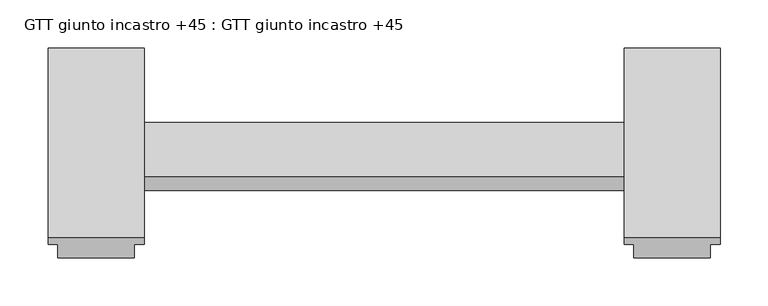
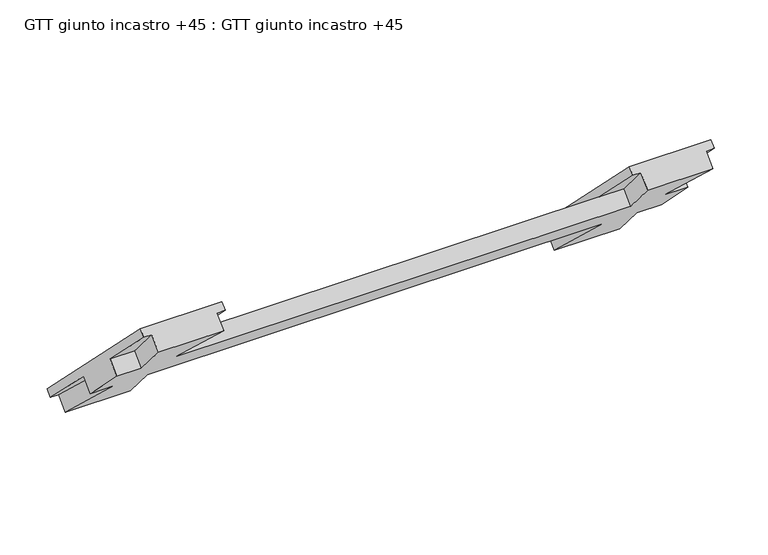
"""IFC4 building model written with IfcOpenShell, lengths in millimetres: proxy geometry, GTT giunto incastro +45 : GTT giunto incastro +45."""

from ifc_helpers import new_model, si_unit, origin, place, context, project, spatial, faceted_brep, source, transform, mapped, element, save


def gtt_giunto_incastro_45_gtt_giunto_incastro_45_21f45a48(model_context):
    return source(origin(), model_context, "Body", "Brep", [
        faceted_brep([(10.0, 48.3883476, -94.6015511), (90.0, 48.3883476, -94.6015511), (70.0, -22.3223305, -23.890873), (630.0, -22.3223305, -23.890873), (610.0, 48.3883476, -94.6015511), (690.0, 48.3883476, -94.6015511), (670.0, -22.3223305, -23.890873), (700.0, -22.3223305, -23.890873), (700.0, -78.890873, 32.6776695), (670.0, -78.890873, 32.6776695), (690.0, -149.6015511, 103.3883476), (610.0, -149.6015511, 103.3883476), (630.0, -78.890873, 32.6776695), (70.0, -78.890873, 32.6776695), (90.0, -149.6015511, 103.3883476), (10.0, -149.6015511, 103.3883476), (30.0, -78.890873, 32.6776695), (0.0, -78.890873, 32.6776695), (0.0, -22.3223305, -23.890873), (30.0, -22.3223305, -23.890873), (30.0, -8.1801948, -9.7487373), (10.0, 62.5304833, -80.4594155), (90.0, 62.5304833, -80.4594155), (70.0, -8.1801948, -9.7487373), (0.0, 62.5304833, -80.4594155), (0.0, 69.6015511, -73.3883476), (100.0, 69.6015511, -73.3883476), (100.0, 62.5304833, -80.4594155), (630.0, -8.1801948, -9.7487373), (610.0, 62.5304833, -80.4594155), (690.0, 62.5304833, -80.4594155), (670.0, -8.1801948, -9.7487373), (600.0, 62.5304833, -80.4594155), (600.0, 69.6015511, -73.3883476), (700.0, 69.6015511, -73.3883476), (700.0, 62.5304833, -80.4594155), (690.0, -135.4594155, 117.5304833), (700.0, -135.4594155, 117.5304833), (700.0, -128.3883476, 124.6015511), (600.0, -128.3883476, 124.6015511), (600.0, -135.4594155, 117.5304833), (610.0, -135.4594155, 117.5304833), (670.0, -64.7487373, 46.8198052), (630.0, -64.7487373, 46.8198052), (90.0, -135.4594155, 117.5304833), (100.0, -135.4594155, 117.5304833), (100.0, -128.3883476, 124.6015511), (0.0, -128.3883476, 124.6015511), (0.0, -135.4594155, 117.5304833), (10.0, -135.4594155, 117.5304833), (70.0, -64.7487373, 46.8198052), (30.0, -64.7487373, 46.8198052), (600.0, -8.1801948, -9.7487373), (700.0, -8.1801948, -9.7487373), (700.0, -64.7487373, 46.8198052), (600.0, -64.7487373, 46.8198052), (0.0, -8.1801948, -9.7487373), (100.0, -8.1801948, -9.7487373), (100.0, -64.7487373, 46.8198052), (0.0, -64.7487373, 46.8198052)], [[[0, 1, 2, 3, 4, 5, 6, 7, 8, 9, 10, 11, 12, 13, 14, 15, 16, 17, 18, 19]], [[0, 19, 20, 21]], [[2, 1, 22, 23]], [[1, 0, 21, 24, 25, 26, 27, 22]], [[4, 3, 28, 29]], [[6, 5, 30, 31]], [[5, 4, 29, 32, 33, 34, 35, 30]], [[11, 10, 36, 37, 38, 39, 40, 41]], [[10, 9, 42, 36]], [[12, 11, 41, 43]], [[15, 14, 44, 45, 46, 47, 48, 49]], [[14, 13, 50, 44]], [[16, 15, 49, 51]], [[34, 33, 39, 38]], [[32, 29, 28, 52]], [[30, 35, 53, 31]], [[37, 36, 42, 54]], [[41, 40, 55, 43]], [[39, 33, 32, 52, 55, 40]], [[34, 38, 37, 54, 8, 7, 53, 35]], [[26, 25, 47, 46]], [[24, 21, 20, 56]], [[22, 27, 57, 23]], [[45, 44, 50, 58]], [[49, 48, 59, 51]], [[47, 25, 24, 56, 18, 17, 59, 48]], [[26, 46, 45, 58, 57, 27]], [[52, 57, 58, 55]], [[3, 2, 23, 57, 52, 28]], [[53, 7, 6, 31]], [[18, 56, 20, 19]], [[13, 12, 43, 55, 58, 50]], [[8, 54, 42, 9]], [[59, 17, 16, 51]]]),
    ])


if __name__ == "__main__":
    model = new_model("IFC4")
    model_context = context("Model", 3, world=origin())
    ifc_project = project(units=[si_unit("LENGTHUNIT", "METRE", prefix="MILLI")], contexts=[model_context])
    site = spatial("IfcSite", under=ifc_project)
    building = spatial("IfcBuilding", under=site)
    placement = place(None, origin())
    gtt_giunto_incastro_45_gtt_giunto_incastro_45_shape = gtt_giunto_incastro_45_gtt_giunto_incastro_45_21f45a48(model_context)
    element("IfcBuildingElementProxy", 1, Name="GTT giunto incastro +45 : GTT giunto incastro +45", ObjectType="GTT giunto incastro +45 : GTT giunto incastro +45", at=placement, inside=building, context=model_context, shape_type="MappedRepresentation", body=[
        mapped(gtt_giunto_incastro_45_gtt_giunto_incastro_45_shape, transform((0.0, 0.0, 0.0), x_axis=(1.0, 0.0, 0.0), y_axis=(0.0, 1.0, 0.0), z_axis=(0.0, 0.0, 1.0))),
    ])
    save(model, "model.ifc")
